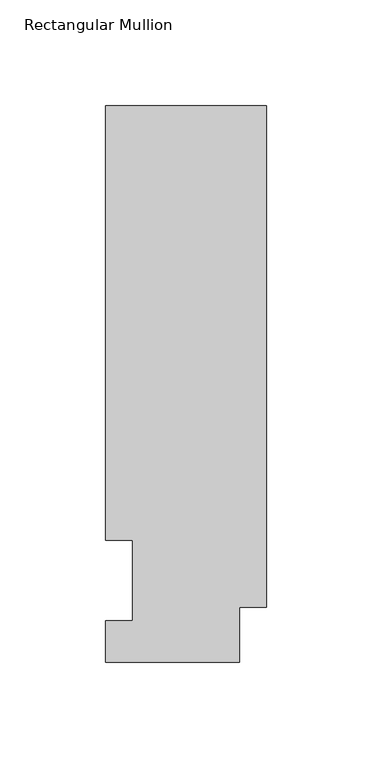
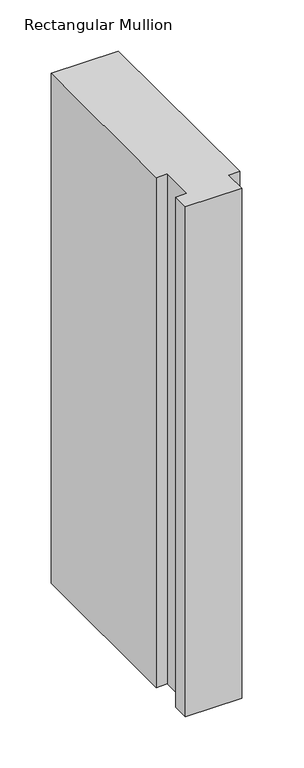
"""IFC4 building model written with IfcOpenShell, lengths in millimetres: member geometry, Rectangular Mullion."""

from ifc_helpers import new_model, si_unit, frame, origin, place, context, project, spatial, polyline, outline, extrude, source, transform, mapped, element, save


def rectangular_mullion_f610e029(model_context):
    return source(origin(), model_context, "Body", "SweptSolid", [
        extrude(outline(polyline([(0.0, 263.2336938), (0.0, 25.8955957), (-12.7, 25.8955957), (-12.7, 0.0134938), (-76.2, 0.0134938), (-76.2, 19.5460938), (-63.5, 19.5460938), (-63.5, 57.6460938), (-76.2, 57.6460937), (-76.2, 263.2336938), (0.0, 263.2336938)])), frame((0.0, 0.0, -609.56825), z_axis=(0.0, 0.0, 1.0), x_axis=(1.0, 0.0, 0.0)), (0.0, 0.0, 1.0), 609.56825),
    ])


if __name__ == "__main__":
    model = new_model("IFC4")
    model_context = context("Model", 3, world=origin())
    ifc_project = project(units=[si_unit("LENGTHUNIT", "METRE", prefix="MILLI")], contexts=[model_context])
    site = spatial("IfcSite", under=ifc_project)
    building = spatial("IfcBuilding", under=site)
    placement = place(None, origin())
    rectangular_mullion_shape = rectangular_mullion_f610e029(model_context)
    element("IfcMember", 1, ObjectType="Rectangular Mullion", at=placement, inside=building, context=model_context, shape_type="MappedRepresentation", body=[
        mapped(rectangular_mullion_shape, transform((0.0, 0.0, 0.0), x_axis=(1.0, 0.0, 0.0), y_axis=(0.0, 1.0, 0.0), z_axis=(0.0, 0.0, 1.0))),
    ])
    save(model, "model.ifc")
